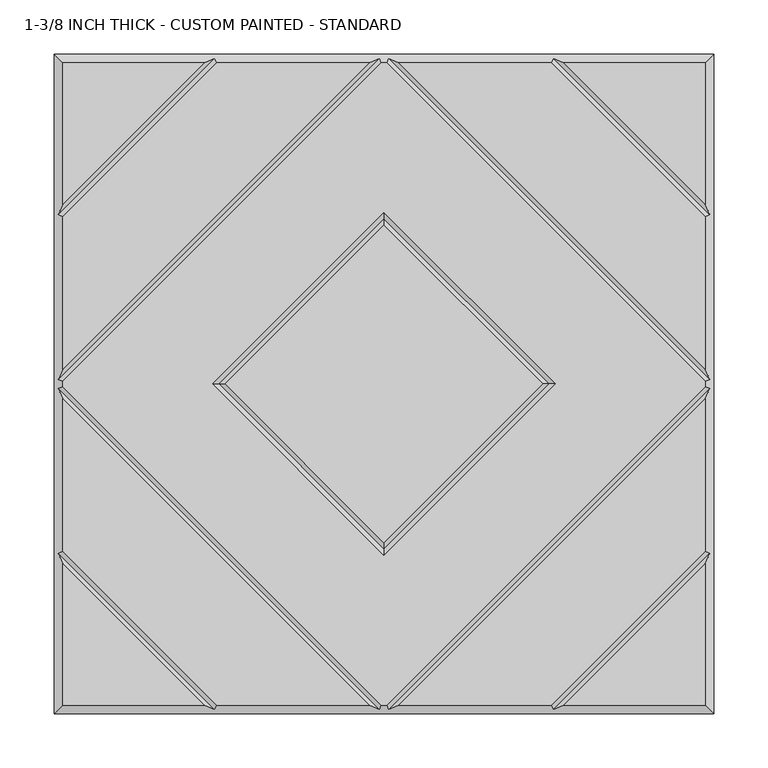
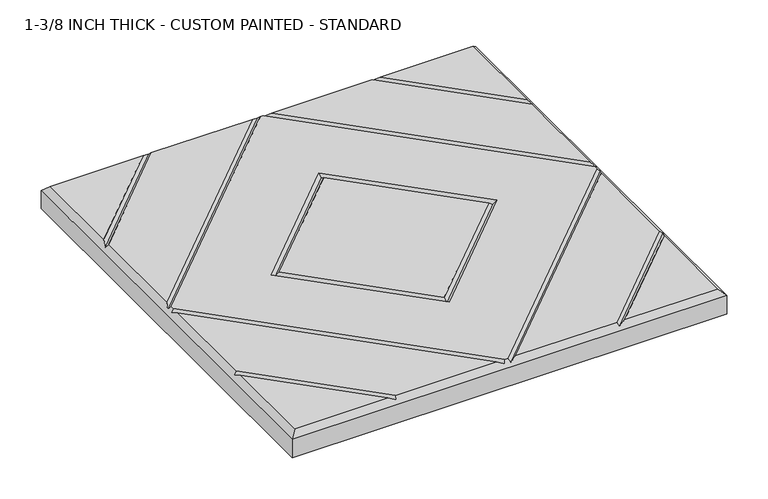
"""IFC4 building model written with IfcOpenShell, lengths in millimetres: proxy geometry, 1-3/8 INCH THICK - CUSTOM PAINTED - STANDARD."""

from ifc_helpers import new_model, si_unit, origin, place, context, project, spatial, faceted_brep, source, transform, mapped, element, save


def proxy_1_3_8_inch_thick_custom_painted_standard_0503ae19(model_context):
    return source(origin(), model_context, "Body", "Brep", [
        faceted_brep([(296.799, 166.0585868, 34.925), (296.799, 296.799, 34.925), (166.0585868, 296.799, 34.925), (-166.0585868, 296.799, 34.925), (-296.799, 296.799, 34.925), (-296.799, 166.0585868, 34.925), (-2.3434382, -296.799, 34.925), (2.3434382, -296.799, 34.925), (296.799, -2.3434137, 34.925), (296.799, 2.3434632, 34.925), (2.3434141, 296.799, 34.925), (-2.343464, 296.799, 34.925), (-296.799, 2.343464, 34.925), (-296.799, -2.3434137, 34.925), (-158.0575614, 2.54e-05, 34.925), (0.0, 158.0575868, 34.925), (158.0575614, 2.54e-05, 34.925), (0.0, -158.057536, 34.925), (-296.799, -296.799, 34.925), (-166.0590079, -296.799, 34.925), (-296.799, -166.0585721, 34.925), (166.0590079, -296.799, 34.925), (296.799, -296.799, 34.925), (296.799, -166.0585721, 34.925), (-154.743464, 296.799, 34.925), (-296.799, 154.743464, 34.925), (-296.799, 13.6585868, 34.925), (-13.6585868, 296.799, 34.925), (-13.6585605, -296.799, 34.925), (-296.799, -13.6585369, 34.925), (-296.799, -154.7434305, 34.925), (-154.743904, -296.799, 34.925), (296.799, -13.6585369, 34.925), (13.6585605, -296.799, 34.925), (154.743904, -296.799, 34.925), (296.799, -154.7434305, 34.925), (13.6585378, 296.799, 34.925), (296.799, 13.658585, 34.925), (296.799, 154.743464, 34.925), (154.743464, 296.799, 34.925), (0.0, 146.742464, 34.925), (-146.7424386, 2.54e-05, 34.925), (0.0, -146.7424132, 34.925), (146.7424386, 2.54e-05, 34.925), (-304.8, 304.8, 0.0), (304.8, 304.8, 0.0), (304.8, -304.8, 0.0), (-304.8, -304.8, 0.0), (-304.8, -304.8, 26.924), (-304.8, 304.8, 26.924), (304.8, -304.8, 26.924), (304.8, 304.8, 26.924), (-156.4005254, 300.7995, 30.9245), (-4.0005254, 300.7995, 30.9245), (4.0004753, 300.7995, 30.9245), (156.4005254, 300.7995, 30.9245), (-300.7995, -156.4004879, 30.9245), (-300.7995, -4.0004749, 30.9245), (-300.7995, 4.0005254, 30.9245), (-300.7995, 156.4005254, 30.9245), (156.4009693, -300.7995, 30.9245), (4.0004997, -300.7995, 30.9245), (-4.0004997, -300.7995, 30.9245), (-156.4009693, -300.7995, 30.9245), (300.7995, 156.4005254, 30.9245), (300.7995, 4.0005247, 30.9245), (300.7995, -4.0004749, 30.9245), (300.7995, -156.4004879, 30.9245), (0.0, 152.4000254, 30.9245), (-152.4, 2.54e-05, 30.9245), (0.0, -152.3999746, 30.9245), (152.4, 2.54e-05, 30.9245)], [[[0, 1, 2]], [[3, 4, 5]], [[6, 7, 8, 9, 10, 11, 12, 13], [14, 15, 16, 17]], [[18, 19, 20]], [[21, 22, 23]], [[24, 25, 26, 27]], [[28, 29, 30, 31]], [[32, 33, 34, 35]], [[36, 37, 38, 39]], [[40, 41, 42, 43]], [[44, 45, 46, 47]], [[44, 47, 48, 49]], [[47, 46, 50, 48]], [[46, 45, 51, 50]], [[45, 44, 49, 51]], [[49, 4, 3, 52, 24, 27, 53, 11, 10, 54, 36, 39, 55, 2, 1, 51]], [[4, 49, 48, 18, 20, 56, 30, 29, 57, 13, 12, 58, 26, 25, 59, 5]], [[18, 48, 50, 22, 21, 60, 34, 33, 61, 7, 6, 62, 28, 31, 63, 19]], [[51, 1, 0, 64, 38, 37, 65, 9, 8, 66, 32, 35, 67, 23, 22, 50]], [[52, 59, 25, 24]], [[59, 52, 3, 5]], [[53, 58, 12, 11]], [[58, 53, 27, 26]], [[57, 62, 6, 13]], [[62, 57, 29, 28]], [[61, 66, 8, 7]], [[66, 61, 33, 32]], [[65, 54, 10, 9]], [[54, 65, 37, 36]], [[68, 69, 41, 40]], [[69, 68, 15, 14]], [[41, 69, 70, 42]], [[69, 14, 17, 70]], [[42, 70, 71, 43]], [[70, 17, 16, 71]], [[68, 40, 43, 71]], [[15, 68, 71, 16]], [[56, 63, 31, 30]], [[63, 56, 20, 19]], [[67, 60, 21, 23]], [[60, 67, 35, 34]], [[55, 64, 0, 2]], [[64, 55, 39, 38]]]),
    ])


if __name__ == "__main__":
    model = new_model("IFC4")
    model_context = context("Model", 3, world=origin())
    ifc_project = project(units=[si_unit("LENGTHUNIT", "METRE", prefix="MILLI")], contexts=[model_context])
    site = spatial("IfcSite", under=ifc_project)
    building = spatial("IfcBuilding", under=site)
    placement = place(None, origin())
    proxy_1_3_8_inch_thick_custom_painted_standard_shape = proxy_1_3_8_inch_thick_custom_painted_standard_0503ae19(model_context)
    element("IfcBuildingElementProxy", 1, Name="1-3/8 INCH THICK - CUSTOM PAINTED - STANDARD", ObjectType="1-3/8 INCH THICK - CUSTOM PAINTED - STANDARD", at=placement, inside=building, context=model_context, shape_type="MappedRepresentation", body=[
        mapped(proxy_1_3_8_inch_thick_custom_painted_standard_shape, transform((0.0, 0.0, 0.0), x_axis=(1.0, 0.0, 0.0), y_axis=(0.0, 1.0, 0.0), z_axis=(0.0, 0.0, 1.0))),
    ])
    save(model, "model.ifc")
